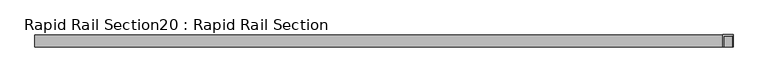
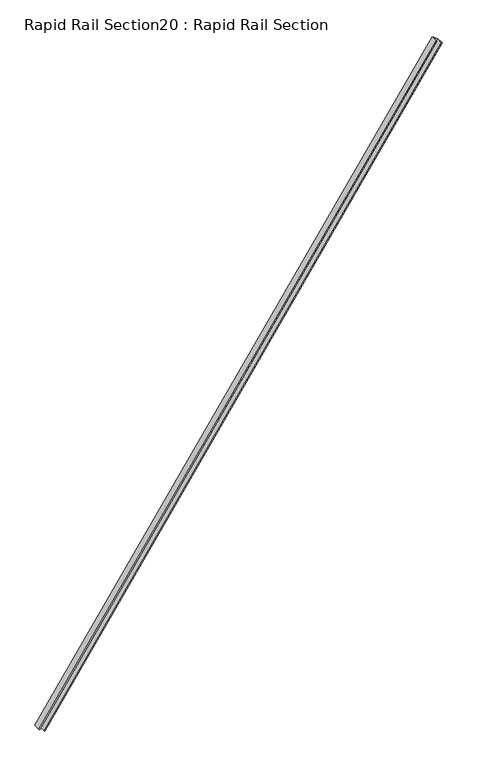
"""IFC4 building model written with IfcOpenShell, lengths in millimetres: beam geometry, Rapid Rail Section20 : Rapid Rail Section."""

from ifc_helpers import new_model, si_unit, frame, origin, place, context, project, spatial, polyline, outline, extrude, source, transform, mapped, element, save


def rapid_rail_section20_rapid_rail_section_4aca3072(model_context):
    return source(origin(), model_context, "Body", "SweptSolid", [
        extrude(outline(polyline([(30.0, 0.0), (30.0, -30.0), (0.0, -30.0), (0.0, -27.0), (27.309703, -27.0), (27.309703, -3.0), (0.0, -3.0), (0.0, 0.0), (30.0, 0.0)])), frame((19607.7402537, 41428.2885414, 52198.0721825), z_axis=(0.5591929034707466, 0.0, 0.829037572555042), x_axis=(0.0, 1.0, 0.0)), (0.0, 0.0, 1.0), 3013.4822326),
    ])


if __name__ == "__main__":
    model = new_model("IFC4")
    model_context = context("Model", 3, world=origin())
    ifc_project = project(units=[si_unit("LENGTHUNIT", "METRE", prefix="MILLI")], contexts=[model_context])
    site = spatial("IfcSite", under=ifc_project)
    building = spatial("IfcBuilding", under=site)
    placement = place(None, origin())
    rapid_rail_section20_rapid_rail_section_shape = rapid_rail_section20_rapid_rail_section_4aca3072(model_context)
    element("IfcBeam", 1, ObjectType="Rapid Rail Section20 : Rapid Rail Section", at=placement, inside=building, context=model_context, shape_type="MappedRepresentation", body=[
        mapped(rapid_rail_section20_rapid_rail_section_shape, transform((0.0, 0.0, 0.0), x_axis=(1.0, 0.0, 0.0), y_axis=(0.0, 1.0, 0.0), z_axis=(0.0, 0.0, 1.0))),
    ])
    save(model, "model.ifc")
